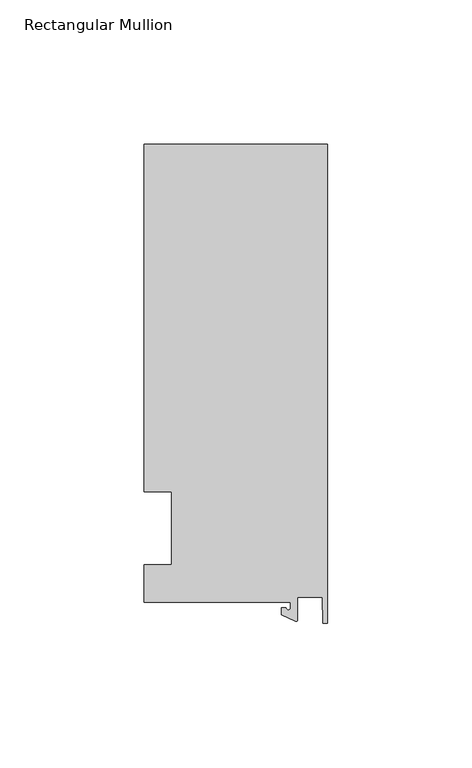
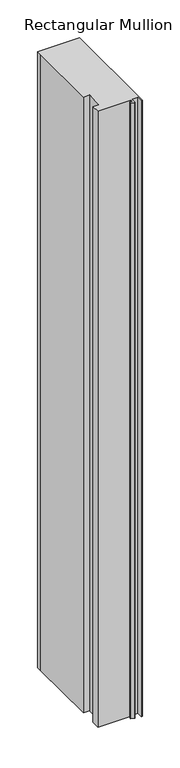
"""IFC4 building model written with IfcOpenShell, lengths in millimetres: member geometry, Rectangular Mullion."""

import ifcopenshell
import ifcopenshell.guid

model = None  # the IFC model being written
_history = None  # IfcOwnerHistory: only IFC2X3 demands one
_inside = {}  # id of a spatial element -> (the spatial element, [elements in it])
_under = {}  # id of a project, library or spatial element -> (it, [spatial elements below it])
_declared = {}  # id of a project -> (the project, [libraries it declares])
_typed = {}  # id of a type object -> (the type object, [elements of that type])
_made_of = {}  # id of a material, layer set ... -> (it, [elements and type objects made of it])


def new_model(schema):
    """Start an empty IFC model of exactly this schema.

    Asked for "IFC4X3", IfcOpenShell would pick the latest addendum, in which some entities
    have other attributes; the version numbers below select the first issue.
    IFC2X3 requires an IfcOwnerHistory on every rooted entity: one is made here for all.
    """
    global model, _history
    if schema == "IFC4X3":
        model = ifcopenshell.file(schema_version=(4, 3, 0, 0))
    else:
        model = ifcopenshell.file(schema=schema)
    _inside.clear()
    _under.clear()
    _declared.clear()
    _typed.clear()
    _made_of.clear()
    _history = None
    if model.schema == "IFC2X3":
        org = make("IfcOrganization", Name="unknown")
        user = make(
            "IfcPersonAndOrganization",
            ThePerson=make("IfcPerson", FamilyName="unknown"),
            TheOrganization=org,
        )
        app = make(
            "IfcApplication",
            ApplicationDeveloper=org,
            Version="unknown",
            ApplicationFullName="unknown",
            ApplicationIdentifier="unknown",
        )
        _history = make(
            "IfcOwnerHistory",
            OwningUser=user,
            OwningApplication=app,
            ChangeAction="ADDED",
            CreationDate=0,
        )
    return model


def make(cls, **values):
    """One entity of the class cls with the attributes given. An attribute that is None is left unset."""
    return model.create_entity(
        cls, **{name: value for name, value in values.items() if value is not None}
    )


def rooted(cls, **values):
    """An entity with a GlobalId (a new one), such as an element, a storey or a relation."""
    return make(cls, GlobalId=ifcopenshell.guid.new(), OwnerHistory=_history, **values)


def si_unit(unit_type, name, prefix=None):
    """IfcSIUnit, for example si_unit("LENGTHUNIT", "METRE", prefix="MILLI")."""
    return make("IfcSIUnit", UnitType=unit_type, Prefix=prefix, Name=name)


def assignment(units):
    """IfcUnitAssignment: the units of a project."""
    return None if units is None else make("IfcUnitAssignment", Units=units)


def point(xyz):
    """IfcCartesianPoint."""
    return None if xyz is None else make("IfcCartesianPoint", Coordinates=xyz)


def direction(xyz):
    """IfcDirection."""
    return None if xyz is None else make("IfcDirection", DirectionRatios=xyz)


def frame(location, z_axis=None, x_axis=None):
    """IfcAxis2Placement3D, a coordinate frame: its origin and axes. An axis left out is left unset."""
    return make(
        "IfcAxis2Placement3D",
        Location=point(location),
        Axis=direction(z_axis),
        RefDirection=direction(x_axis),
    )


def frame_2d(location, x_axis=None):
    """IfcAxis2Placement2D, a coordinate frame in the plane: its origin and x axis."""
    return make(
        "IfcAxis2Placement2D", Location=point(location), RefDirection=direction(x_axis)
    )


def origin():
    """The frame at (0, 0, 0) with its axes left unset."""
    return frame((0.0, 0.0, 0.0))


def place(relative_to, where):
    """IfcLocalPlacement: puts the frame where relative to a parent placement (None: the world)."""
    return make(
        "IfcLocalPlacement", PlacementRelTo=relative_to, RelativePlacement=where
    )


def context(
    kind, dimensions, precision=None, world=None, true_north=None, identifier=None
):
    """IfcGeometricRepresentationContext, for example the 3D "Model" context."""
    return make(
        "IfcGeometricRepresentationContext",
        ContextIdentifier=identifier,
        ContextType=kind,
        CoordinateSpaceDimension=dimensions,
        Precision=precision,
        WorldCoordinateSystem=world,
        TrueNorth=true_north,
    )


def project(units=None, contexts=None):
    """IfcProject with its units and contexts."""
    return rooted(
        "IfcProject",
        Name="project",
        RepresentationContexts=contexts,
        UnitsInContext=assignment(units),
    )


def spatial(cls, under=None, at=None, **own):
    """A site, building, storey or space (cls), placed at a placement, below another one or the project."""
    s = rooted(cls, ObjectPlacement=at, **own)
    if under is not None:
        _under.setdefault(under.id(), (under, []))[1].append(s)
    return s


def polyline(points):
    """IfcPolyline through the points."""
    return make("IfcPolyline", Points=[point(p) for p in points])


def circle_curve(where, radius):
    """IfcCircle in the frame where."""
    return make("IfcCircle", Position=where, Radius=radius)


def trimmed(basis, trim1, trim2, sense, master):
    """IfcTrimmedCurve: the piece of a basis curve between two trims."""
    return make(
        "IfcTrimmedCurve",
        BasisCurve=basis,
        Trim1=trim1,
        Trim2=trim2,
        SenseAgreement=sense,
        MasterRepresentation=master,
    )


def segment(curve, same_sense, transition):
    """IfcCompositeCurveSegment."""
    return make(
        "IfcCompositeCurveSegment",
        Transition=transition,
        SameSense=same_sense,
        ParentCurve=curve,
    )


def composite_curve(segments, self_intersect=None):
    """IfcCompositeCurve: segments joined end to end."""
    return make("IfcCompositeCurve", Segments=segments, SelfIntersect=self_intersect)


def outline(outer, holes=None, kind="AREA"):
    """IfcArbitraryClosedProfileDef: a profile drawn as a closed curve; with holes, ...WithVoids."""
    if holes is None:
        return make("IfcArbitraryClosedProfileDef", ProfileType=kind, OuterCurve=outer)
    return make(
        "IfcArbitraryProfileDefWithVoids",
        ProfileType=kind,
        OuterCurve=outer,
        InnerCurves=holes,
    )


def extrude(swept, where, along, depth):
    """IfcExtrudedAreaSolid: the profile swept, set in the frame where, extruded along a direction by depth."""
    return make(
        "IfcExtrudedAreaSolid",
        SweptArea=swept,
        Position=where,
        ExtrudedDirection=direction(along),
        Depth=depth,
    )


def shape(context_of_items, identifier, shape_type, items):
    """IfcShapeRepresentation: the items that make up one representation, for example the "Body"."""
    return make(
        "IfcShapeRepresentation",
        ContextOfItems=context_of_items,
        RepresentationIdentifier=identifier,
        RepresentationType=shape_type,
        Items=items,
    )


def source(mapping_origin, context_of_items, identifier, shape_type, items):
    """IfcRepresentationMap: a shape defined once, which mapped items show again and again."""
    return make(
        "IfcRepresentationMap",
        MappingOrigin=mapping_origin,
        MappedRepresentation=shape(context_of_items, identifier, shape_type, items),
    )


def transform(
    local_origin,
    x_axis=None,
    y_axis=None,
    z_axis=None,
    scale=None,
    scale2=None,
    scale3=None,
    uniform=True,
):
    """IfcCartesianTransformationOperator3D, or its non-uniform kind. x_axis, y_axis, z_axis: its Axis1, 2, 3."""
    if uniform:
        return make(
            "IfcCartesianTransformationOperator3D",
            Axis1=direction(x_axis),
            Axis2=direction(y_axis),
            LocalOrigin=point(local_origin),
            Scale=scale,
            Axis3=direction(z_axis),
        )
    return make(
        "IfcCartesianTransformationOperator3DnonUniform",
        Axis1=direction(x_axis),
        Axis2=direction(y_axis),
        LocalOrigin=point(local_origin),
        Scale=scale,
        Axis3=direction(z_axis),
        Scale2=scale2,
        Scale3=scale3,
    )


def mapped(mapping_source, mapping_target):
    """IfcMappedItem: shows the shape of a source again, moved by a transform."""
    return make(
        "IfcMappedItem", MappingSource=mapping_source, MappingTarget=mapping_target
    )


def made_of(thing, what):
    """Note that an element or type object is made of a material, layer set ...; save() writes the relation."""
    if what is not None:
        _made_of.setdefault(what.id(), (what, []))[1].append(thing)
    return thing


def element(
    cls,
    number,
    at=None,
    inside=None,
    cuts=None,
    type_object=None,
    material=None,
    context=None,
    identifier="Body",
    shape_type=None,
    held_by="IfcProductDefinitionShape",
    body=None,
    shapes=None,
    **own,
):
    """One element of the class cls, such as IfcWall. Its Tag is "e" and its number.

    at: its placement. inside: the storey or other place that contains it. cuts: it is an
    opening in that element (IfcRelVoidsElement). A single representation is given by context,
    identifier, shape_type and body (its items); several are given by shapes. held_by: the class
    of the entity that holds the representations. save() writes the other relations.
    """
    e = rooted(cls, Tag="e%d" % number, ObjectPlacement=at, **own)
    if body is not None:
        shapes = [shape(context, identifier, shape_type, body)]
    if shapes is not None:
        e.Representation = make(held_by, Representations=shapes)
    if inside is not None:
        _inside.setdefault(inside.id(), (inside, []))[1].append(e)
    if cuts is not None:
        rooted(
            "IfcRelVoidsElement", RelatingBuildingElement=cuts, RelatedOpeningElement=e
        )
    if type_object is not None:
        _typed.setdefault(type_object.id(), (type_object, []))[1].append(e)
    return made_of(e, material)


def aggregate(whole, parts):
    """IfcRelAggregates: a whole, such as a stair, and the parts it consists of."""
    return rooted("IfcRelAggregates", RelatingObject=whole, RelatedObjects=parts)


def save(model, path):
    """Write the relations noted so far, then the file.

    IfcRelAggregates (storeys below a building ...), IfcRelContainedInSpatialStructure (elements
    in a storey), IfcRelDefinesByType, IfcRelAssociatesMaterial and IfcRelDeclares: one each for
    every whole, place, type object, material and project.
    """
    for whole, parts in _under.values():
        aggregate(whole, parts)
    for where, things in _inside.values():
        rooted(
            "IfcRelContainedInSpatialStructure",
            RelatedElements=things,
            RelatingStructure=where,
        )
    for kind, things in _typed.values():
        rooted("IfcRelDefinesByType", RelatedObjects=things, RelatingType=kind)
    for what, things in _made_of.values():
        rooted("IfcRelAssociatesMaterial", RelatedObjects=things, RelatingMaterial=what)
    for by, libraries in _declared.values():
        rooted("IfcRelDeclares", RelatingContext=by, RelatedDefinitions=libraries)
    model.write(path)


def rectangular_mullion_8657fb50(model_context):
    return source(origin(), model_context, "Body", "SweptSolid", [
        extrude(outline(composite_curve([segment(polyline([(-12.8216721, -25.5984375), (-63.5, -25.5984375), (-63.5, -12.7), (-53.975, -12.7), (-53.975, 12.7), (-63.5, 12.7), (-63.5, 125.075512), (-63.5, 132.822512), (0.0, 132.822512), (0.0, -32.810012), (-1.5566453, -32.810012), (-1.7144124, -23.9227662), (-10.4340721, -23.9227662), (-10.4340721, -31.6795354)]), True, "CONTINUOUS"), segment(trimmed(circle_curve(frame_2d((-10.9420721, -31.6795354)), 0.508), [point((-10.4340721, -31.6795354))], [point((-11.1567622, -32.1399398))], False, "CARTESIAN"), True, "CONTINUOUS"), segment(polyline([(-11.1567622, -32.1399398), (-15.9966721, -29.8830527), (-15.9966721, -27.5208534), (-14.4091721, -27.5208534)]), True, "CONTINUOUS"), segment(trimmed(circle_curve(frame_2d((-13.6154221, -27.5208534)), 0.79375), [point((-14.4091721, -27.5208534))], [point((-12.8216721, -27.5208534))], True, "CARTESIAN"), True, "CONTINUOUS"), segment(polyline([(-12.8216721, -27.5208534), (-12.8216721, -25.5984375)]), True, "CONTINUOUS")], self_intersect=False)), frame((0.0, 0.0, -990.6), z_axis=(0.0, 0.0, 1.0), x_axis=(1.0, 0.0, 0.0)), (0.0, 0.0, 1.0), 990.6),
    ])


if __name__ == "__main__":
    model = new_model("IFC4")
    model_context = context("Model", 3, world=origin())
    ifc_project = project(units=[si_unit("LENGTHUNIT", "METRE", prefix="MILLI")], contexts=[model_context])
    site = spatial("IfcSite", under=ifc_project)
    building = spatial("IfcBuilding", under=site)
    placement = place(None, origin())
    rectangular_mullion_shape = rectangular_mullion_8657fb50(model_context)
    element("IfcMember", 1, ObjectType="Rectangular Mullion", at=placement, inside=building, context=model_context, shape_type="MappedRepresentation", body=[
        mapped(rectangular_mullion_shape, transform((0.0, 0.0, 0.0), x_axis=(1.0, 0.0, 0.0), y_axis=(0.0, 1.0, 0.0), z_axis=(0.0, 0.0, 1.0))),
    ])
    save(model, "model.ifc")
